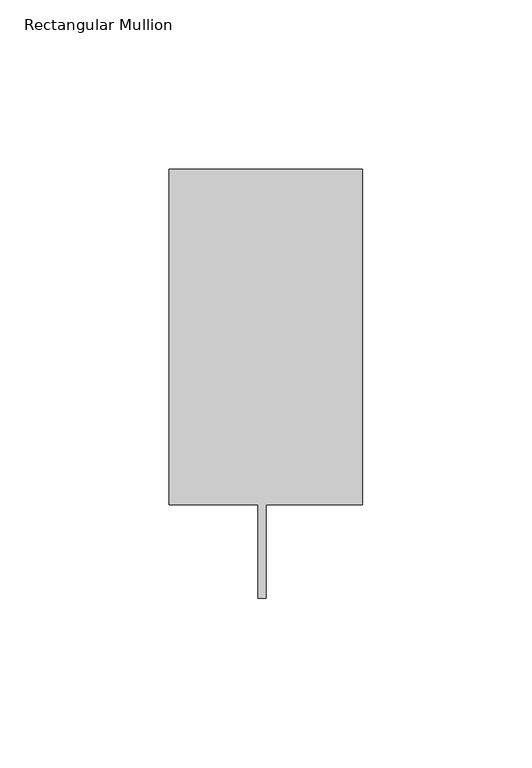
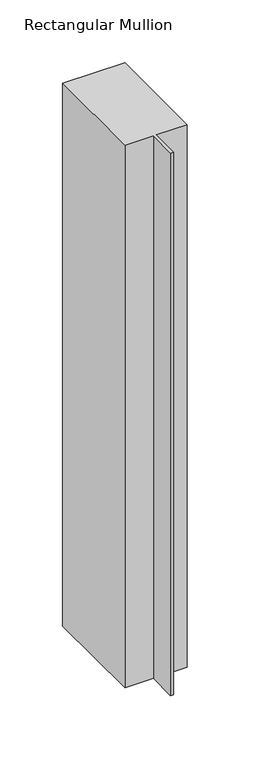
"""IFC4 building model written with IfcOpenShell, lengths in millimetres: member geometry, Rectangular Mullion."""

from ifc_helpers import new_model, si_unit, frame, origin, place, context, project, spatial, polyline, outline, extrude, source, transform, mapped, element, save


def rectangular_mullion_e8f100bb(model_context):
    return source(origin(), model_context, "Body", "SweptSolid", [
        extrude(outline(polyline([(0.0, 138.3252808), (0.0, 39.3898437), (-28.575, 39.3898437), (-28.575, 11.7038437), (-30.9626, 11.7038437), (-30.9626, 39.3898437), (-57.15, 39.3898438), (-57.15, 138.3252808), (0.0, 138.3252808)])), frame((0.0, 0.0, -527.05), z_axis=(0.0, 0.0, 1.0), x_axis=(1.0, 0.0, 0.0)), (0.0, 0.0, 1.0), 527.05),
    ])


if __name__ == "__main__":
    model = new_model("IFC4")
    model_context = context("Model", 3, world=origin())
    ifc_project = project(units=[si_unit("LENGTHUNIT", "METRE", prefix="MILLI")], contexts=[model_context])
    site = spatial("IfcSite", under=ifc_project)
    building = spatial("IfcBuilding", under=site)
    placement = place(None, origin())
    rectangular_mullion_shape = rectangular_mullion_e8f100bb(model_context)
    element("IfcMember", 1, ObjectType="Rectangular Mullion", at=placement, inside=building, context=model_context, shape_type="MappedRepresentation", body=[
        mapped(rectangular_mullion_shape, transform((0.0, 0.0, 0.0), x_axis=(1.0, 0.0, 0.0), y_axis=(0.0, 1.0, 0.0), z_axis=(0.0, 0.0, 1.0))),
    ])
    save(model, "model.ifc")
